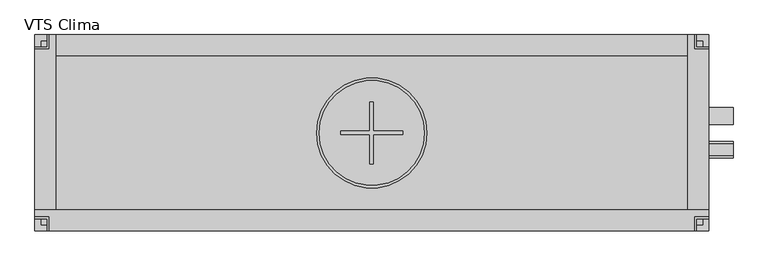
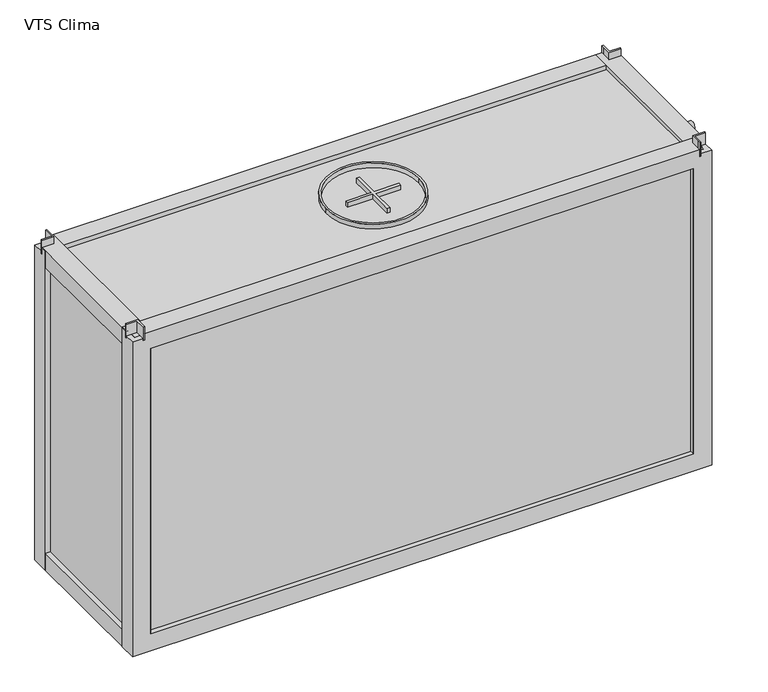
"""IFC4 building model written with IfcOpenShell, lengths in millimetres: proxy geometry, VTS Clima."""

from ifc_helpers import new_model, si_unit, point, frame, frame_2d, origin, origin_2d, place, context, project, spatial, polyline, circle_curve, trimmed, segment, composite_curve, outline, extrude, faceted_brep, source, transform, mapped, element, save


def vts_clima_4a70159d(model_context):
    return source(origin(), model_context, "Body", "SolidModel", [
        faceted_brep([(575.0, -149.9999993, 765.0), (575.0, -168.3098058, 765.0), (575.0, -174.9999993, 765.0), (578.0, -174.9999993, 765.0), (578.0, -152.9999993, 765.0), (600.0, -152.9999993, 765.0), (600.0, -149.9999993, 765.0), (575.0, -149.9999993, 735.0), (600.0, -149.9999993, 735.0), (600.0, -152.9999993, 735.0), (578.0, -152.9999993, 735.0), (578.0, -174.9999993, 735.0), (575.0, -174.9999993, 735.0), (575.0, -168.3098058, 735.0), (578.0, -174.9999993, 750.0), (578.0, -152.9999993, 750.0), (600.0, -152.9999993, 750.0)], [[[0, 1, 2, 3, 4, 5, 6]], [[7, 8, 9, 10, 11, 12, 13]], [[1, 0, 7, 13]], [[2, 1, 13, 12]], [[3, 2, 12, 11, 14]], [[4, 3, 14, 11, 10, 15]], [[5, 4, 15, 10, 9, 16]], [[6, 5, 16, 9, 8]], [[0, 6, 8, 7]]]),
        faceted_brep([(-575.0, -149.9999993, 765.0), (-600.0, -149.9999993, 765.0), (-600.0, -152.9999993, 765.0), (-578.0, -152.9999993, 765.0), (-578.0, -174.9999993, 765.0), (-575.0, -174.9999993, 765.0), (-575.0, -168.3098058, 765.0), (-575.0, -149.9999993, 735.0), (-575.0, -168.3098058, 735.0), (-575.0, -174.9999993, 735.0), (-578.0, -174.9999993, 735.0), (-578.0, -152.9999993, 735.0), (-600.0, -152.9999993, 735.0), (-600.0, -149.9999993, 735.0), (-578.0, -174.9999993, 750.0), (-578.0, -152.9999993, 750.0), (-600.0, -152.9999993, 750.0)], [[[0, 1, 2, 3, 4, 5, 6]], [[7, 8, 9, 10, 11, 12, 13]], [[6, 8, 7, 0]], [[5, 9, 8, 6]], [[4, 14, 10, 9, 5]], [[3, 15, 11, 10, 14, 4]], [[2, 16, 12, 11, 15, 3]], [[1, 13, 12, 16, 2]], [[0, 7, 13, 1]]]),
        faceted_brep([(575.0, 150.0, 765.0), (600.0, 150.0, 765.0), (600.0, 153.0, 765.0), (578.0, 153.0, 765.0), (578.0, 175.0, 765.0), (575.0, 175.0, 765.0), (575.0, 168.3098065, 765.0), (575.0, 150.0, 735.0), (575.0, 168.3098065, 735.0), (575.0, 175.0, 735.0), (578.0, 175.0, 735.0), (578.0, 153.0, 735.0), (600.0, 153.0, 735.0), (600.0, 150.0, 735.0), (578.0, 175.0, 750.0), (578.0, 153.0, 750.0), (600.0, 153.0, 750.0)], [[[0, 1, 2, 3, 4, 5, 6]], [[7, 8, 9, 10, 11, 12, 13]], [[6, 8, 7, 0]], [[5, 9, 8, 6]], [[4, 14, 10, 9, 5]], [[3, 15, 11, 10, 14, 4]], [[2, 16, 12, 11, 15, 3]], [[1, 13, 12, 16, 2]], [[0, 7, 13, 1]]]),
        faceted_brep([(-575.0, 150.0, 765.0), (-575.0, 168.3098065, 765.0), (-575.0, 175.0, 765.0), (-578.0, 175.0, 765.0), (-578.0, 153.0, 765.0), (-600.0, 153.0, 765.0), (-600.0, 150.0, 765.0), (-575.0, 150.0, 735.0), (-600.0, 150.0, 735.0), (-600.0, 153.0, 735.0), (-578.0, 153.0, 735.0), (-578.0, 175.0, 735.0), (-575.0, 175.0, 735.0), (-575.0, 168.3098065, 735.0), (-578.0, 175.0, 750.0), (-578.0, 153.0, 750.0), (-600.0, 153.0, 750.0)], [[[0, 1, 2, 3, 4, 5, 6]], [[7, 8, 9, 10, 11, 12, 13]], [[1, 0, 7, 13]], [[2, 1, 13, 12]], [[3, 2, 12, 11, 14]], [[4, 3, 14, 11, 10, 15]], [[5, 4, 15, 10, 9, 16]], [[6, 5, 16, 9, 8]], [[0, 6, 8, 7]]]),
        extrude(outline(composite_curve([segment(trimmed(circle_curve(origin_2d(), 98.2315055), [point((-98.2315055, 0.0))], [point((98.2315055, 0.0))], False, "CARTESIAN"), True, "CONTINUOUS"), segment(trimmed(circle_curve(origin_2d(), 98.2315055), [point((98.2315055, 0.0))], [point((-98.2315055, 0.0))], False, "CARTESIAN"), True, "CONTINUOUS")], self_intersect=False), holes=[composite_curve([segment(trimmed(circle_curve(origin_2d(), 93.6098859), [point((-93.6098859, 0.0))], [point((93.6098859, 0.0))], True, "CARTESIAN"), True, "CONTINUOUS"), segment(trimmed(circle_curve(origin_2d(), 93.6098859), [point((93.6098859, 0.0))], [point((-93.6098859, 0.0))], True, "CARTESIAN"), True, "CONTINUOUS")], self_intersect=False)]), frame((0.0, 0.0, 740.0), z_axis=(0.0, 0.0, 1.0), x_axis=(1.0, 0.0, 0.0)), (0.0, 0.0, 1.0), 10.0),
        extrude(outline(polyline([(-3.1882691, 3.1882691), (-3.1882691, 55.0), (2.9323757, 55.0), (2.9323757, 3.1882691), (55.0, 3.1882691), (55.0, -2.9323757), (2.9323757, -2.9323757), (2.9323757, -55.0), (-3.1882691, -55.0), (-3.1882691, -2.9323757), (-55.0, -2.9323757), (-55.0, 3.1882691), (-3.1882691, 3.1882691)])), frame((0.0, 0.0, 740.0), z_axis=(0.0, 0.0, 1.0), x_axis=(1.0, 0.0, 0.0)), (0.0, 0.0, 1.0), 10.0),
        extrude(outline(composite_curve([segment(trimmed(circle_curve(frame_2d((30.0, 560.0)), 15.0), [point((15.0, 560.0))], [point((45.0, 560.0))], False, "CARTESIAN"), True, "CONTINUOUS"), segment(trimmed(circle_curve(frame_2d((30.0, 560.0)), 15.0), [point((45.0, 560.0))], [point((15.0, 560.0))], False, "CARTESIAN"), True, "CONTINUOUS")], self_intersect=False)), frame((0.0, 0.0, 0.0), z_axis=(1.0, 0.0, 0.0), x_axis=(0.0, 1.0, 0.0)), (0.0, 0.0, 1.0), 643.5),
        extrude(outline(composite_curve([segment(trimmed(circle_curve(frame_2d((-30.0, 240.0)), 15.0), [point((-45.0, 240.0))], [point((-15.0, 240.0))], False, "CARTESIAN"), True, "CONTINUOUS"), segment(trimmed(circle_curve(frame_2d((-30.0, 240.0)), 15.0), [point((-15.0, 240.0))], [point((-45.0, 240.0))], False, "CARTESIAN"), True, "CONTINUOUS")], self_intersect=False)), frame((0.0, 0.0, 0.0), z_axis=(1.0, 0.0, 0.0), x_axis=(0.0, 1.0, 0.0)), (0.0, 0.0, 1.0), 643.5),
        extrude(outline(composite_curve([segment(trimmed(circle_curve(frame_2d((30.0, 110.0)), 10.0), [point((20.0, 110.0))], [point((40.0, 110.0))], False, "CARTESIAN"), True, "CONTINUOUS"), segment(trimmed(circle_curve(frame_2d((30.0, 110.0)), 10.0), [point((40.0, 110.0))], [point((20.0, 110.0))], False, "CARTESIAN"), True, "CONTINUOUS")], self_intersect=False)), frame((0.0, 0.0, 0.0), z_axis=(1.0, 0.0, 0.0), x_axis=(0.0, 1.0, 0.0)), (0.0, 0.0, 1.0), 643.5),
        extrude(outline(composite_curve([segment(trimmed(circle_curve(frame_2d((-30.0, 690.0)), 10.0), [point((-40.0, 690.0))], [point((-20.0, 690.0))], False, "CARTESIAN"), True, "CONTINUOUS"), segment(trimmed(circle_curve(frame_2d((-30.0, 690.0)), 10.0), [point((-20.0, 690.0))], [point((-40.0, 690.0))], False, "CARTESIAN"), True, "CONTINUOUS")], self_intersect=False)), frame((0.0, 0.0, 0.0), z_axis=(1.0, 0.0, 0.0), x_axis=(0.0, 1.0, 0.0)), (0.0, 0.0, 1.0), 643.5),
        faceted_brep([(-600.0, -137.4999993, 750.0), (-600.0, -137.4999993, 50.0), (-600.0, -174.9999993, 50.0), (-600.0, -174.9999993, 740.0), (-600.0, -152.9999993, 740.0), (-600.0, -152.9999993, 750.0), (-562.5, -164.9999993, 712.5), (-562.5, -174.9999993, 712.5), (-562.5, -174.9999993, 87.5), (-562.5, -164.9999993, 87.5), (-589.999999, -164.9999993, 739.999999), (-589.999999, -164.9999993, 60.000001), (-589.999999, -137.4999993, 60.000001), (-589.999999, -137.4999993, 739.999999), (-589.999999, -152.9999993, 739.999999), (600.0, -137.4999993, 50.0), (600.0, -174.9999993, 50.0), (562.5, -174.9999993, 87.5), (562.5, -164.9999993, 87.5), (589.999999, -164.9999993, 60.000001), (589.999999, -137.4999993, 60.000001), (600.0, -137.4999993, 750.0), (600.0, -152.9999993, 750.0), (600.0, -152.9999993, 740.0), (600.0, -174.9999993, 740.0), (562.5, -174.9999993, 712.5), (562.5, -164.9999993, 712.5), (589.999999, -164.9999993, 739.999999), (589.999999, -152.9999993, 740.0), (589.999999, -137.4999993, 739.999999), (-578.0, -152.9999993, 750.0), (-578.0, -174.9999993, 750.0), (578.0, -174.9999993, 750.0), (578.0, -152.9999993, 750.0), (578.0, -174.9999993, 740.0), (-578.0, -174.9999993, 740.0), (-578.0, -164.9999993, 740.0), (578.0, -164.9999993, 739.999999), (578.0, -152.9999993, 739.999999), (-578.0, -152.9999993, 739.999999)], [[[0, 1, 2, 3, 4, 5]], [[6, 7, 8, 9]], [[10, 11, 12, 13, 14]], [[2, 1, 15, 16]], [[9, 8, 17, 18]], [[12, 11, 19, 20]], [[16, 15, 21, 22, 23, 24]], [[18, 17, 25, 26]], [[20, 19, 27, 28, 29]], [[21, 0, 5, 30, 31, 32, 33, 22]], [[2, 16, 24, 34, 32, 31, 35, 3], [8, 7, 25, 17]], [[7, 6, 26, 25]], [[11, 10, 36, 37, 27, 19], [6, 9, 18, 26]], [[13, 29, 28, 38, 37, 36, 39, 14]], [[1, 0, 21, 15], [13, 12, 20, 29]], [[34, 37, 38, 33, 32]], [[33, 38, 28, 23, 22]], [[37, 34, 24, 23, 28, 27]], [[30, 39, 36, 35, 31]], [[39, 30, 5, 4, 14]], [[35, 36, 10, 14, 4, 3]]]),
        faceted_brep([(562.4999993, -175.0, 750.0), (562.4999993, -175.0, 50.0), (599.9999993, -175.0, 50.0), (599.9999993, -175.0, 740.0), (578.0, -175.0, 740.0), (578.0, -175.0, 750.0), (589.9999993, -137.5, 712.5), (599.9999993, -137.5, 712.5), (599.9999993, -137.5, 87.5), (589.9999993, -137.5, 87.5), (589.9999993, -164.999999, 739.999999), (589.9999993, -164.999999, 60.000001), (562.4999993, -164.999999, 60.000001), (562.4999993, -164.999999, 739.999999), (578.0, -164.999999, 739.999999), (562.4999993, 175.0, 50.0), (599.9999993, 175.0, 50.0), (599.9999993, 137.5, 87.5), (589.9999993, 137.5, 87.5), (589.9999993, 164.999999, 60.000001), (562.4999993, 164.999999, 60.000001), (562.4999993, 175.0, 750.0), (578.0, 175.0, 750.0), (578.0, 175.0, 740.0), (599.9999993, 175.0, 740.0), (599.9999993, 137.5, 712.5), (589.9999993, 137.5, 712.5), (589.9999993, 164.999999, 739.999999), (578.0, 164.999999, 740.0), (562.4999993, 164.999999, 739.999999), (578.0, -152.9999993, 750.0), (599.9999993, -152.9999993, 750.0), (599.9999993, 153.0000007, 750.0), (578.0, 153.0000007, 750.0), (599.9999993, 153.0000007, 740.0), (599.9999993, -152.9999993, 740.0), (589.9999993, -152.9999993, 740.0), (589.9999993, 153.0000007, 739.999999), (578.0, 153.0000007, 739.999999), (578.0, -152.9999993, 739.999999)], [[[0, 1, 2, 3, 4, 5]], [[6, 7, 8, 9]], [[10, 11, 12, 13, 14]], [[2, 1, 15, 16]], [[9, 8, 17, 18]], [[12, 11, 19, 20]], [[16, 15, 21, 22, 23, 24]], [[18, 17, 25, 26]], [[20, 19, 27, 28, 29]], [[21, 0, 5, 30, 31, 32, 33, 22]], [[2, 16, 24, 34, 32, 31, 35, 3], [8, 7, 25, 17]], [[7, 6, 26, 25]], [[11, 10, 36, 37, 27, 19], [6, 9, 18, 26]], [[13, 29, 28, 38, 37, 36, 39, 14]], [[1, 0, 21, 15], [13, 12, 20, 29]], [[33, 38, 28, 23, 22]], [[38, 33, 32, 34, 37]], [[23, 28, 27, 37, 34, 24]], [[4, 14, 39, 30, 5]], [[30, 39, 36, 35, 31]], [[14, 4, 3, 35, 36, 10]]]),
        faceted_brep([(-562.4999993, 175.0, 750.0), (-562.4999993, 175.0, 50.0), (-599.9999993, 175.0, 50.0), (-599.9999993, 175.0, 740.0), (-578.0, 175.0, 740.0), (-578.0, 175.0, 750.0), (-589.9999993, 137.5, 712.5), (-599.9999993, 137.5, 712.5), (-599.9999993, 137.5, 87.5), (-589.9999993, 137.5, 87.5), (-589.9999993, 164.999999, 739.999999), (-589.9999993, 164.999999, 60.000001), (-562.4999993, 164.999999, 60.000001), (-562.4999993, 164.999999, 739.999999), (-578.0, 164.999999, 739.999999), (-562.4999993, -175.0, 50.0), (-599.9999993, -175.0, 50.0), (-599.9999993, -137.5, 87.5), (-589.9999993, -137.5, 87.5), (-589.9999993, -164.999999, 60.000001), (-562.4999993, -164.999999, 60.000001), (-562.4999993, -175.0, 750.0), (-578.0, -175.0, 750.0), (-578.0, -175.0, 740.0), (-599.9999993, -175.0, 740.0), (-599.9999993, -137.5, 712.5), (-589.9999993, -137.5, 712.5), (-589.9999993, -164.999999, 739.999999), (-578.0, -164.999999, 740.0), (-562.4999993, -164.999999, 739.999999), (-578.0, 153.0000007, 750.0), (-599.9999993, 153.0000007, 750.0), (-599.9999993, -152.9999993, 750.0), (-578.0, -152.9999993, 750.0), (-599.9999993, -152.9999993, 740.0), (-599.9999993, 153.0000007, 740.0), (-589.9999993, 153.0000007, 740.0), (-589.9999993, -152.9999993, 739.999999), (-578.0, -152.9999993, 739.999999), (-578.0, 153.0000007, 739.999999)], [[[0, 1, 2, 3, 4, 5]], [[6, 7, 8, 9]], [[10, 11, 12, 13, 14]], [[2, 1, 15, 16]], [[9, 8, 17, 18]], [[12, 11, 19, 20]], [[16, 15, 21, 22, 23, 24]], [[18, 17, 25, 26]], [[20, 19, 27, 28, 29]], [[21, 0, 5, 30, 31, 32, 33, 22]], [[2, 16, 24, 34, 32, 31, 35, 3], [8, 7, 25, 17]], [[7, 6, 26, 25]], [[11, 10, 36, 37, 27, 19], [6, 9, 18, 26]], [[13, 29, 28, 38, 37, 36, 39, 14]], [[1, 0, 21, 15], [13, 12, 20, 29]], [[4, 14, 39, 30, 5]], [[30, 39, 36, 35, 31]], [[14, 4, 3, 35, 36, 10]], [[33, 38, 28, 23, 22]], [[38, 33, 32, 34, 37]], [[23, 28, 27, 37, 34, 24]]]),
        faceted_brep([(600.0, 137.4999993, 750.0), (600.0, 137.4999993, 50.0), (600.0, 174.9999993, 50.0), (600.0, 174.9999993, 740.0), (600.0, 153.0000007, 740.0), (600.0, 153.0000007, 750.0), (562.5, 164.9999993, 712.5), (562.5, 174.9999993, 712.5), (562.5, 174.9999993, 87.5), (562.5, 164.9999993, 87.5), (589.999999, 164.9999993, 739.999999), (589.999999, 164.9999993, 60.000001), (589.999999, 137.4999993, 60.000001), (589.999999, 137.4999993, 739.999999), (589.999999, 153.0000007, 739.999999), (-600.0, 137.4999993, 50.0), (-600.0, 174.9999993, 50.0), (-562.5, 174.9999993, 87.5), (-562.5, 164.9999993, 87.5), (-589.999999, 164.9999993, 60.000001), (-589.999999, 137.4999993, 60.000001), (-600.0, 137.4999993, 750.0), (-600.0, 153.0000007, 750.0), (-600.0, 153.0000007, 740.0), (-600.0, 174.9999993, 740.0), (-562.5, 174.9999993, 712.5), (-562.5, 164.9999993, 712.5), (-589.999999, 164.9999993, 739.999999), (-589.999999, 153.0000007, 740.0), (-589.999999, 137.4999993, 739.999999), (578.0, 153.0000007, 750.0), (578.0, 174.9999993, 750.0), (-578.0, 174.9999993, 750.0), (-578.0, 153.0000007, 750.0), (-578.0, 174.9999993, 740.0), (578.0, 174.9999993, 740.0), (578.0, 164.9999993, 740.0), (-578.0, 164.9999993, 739.999999), (-578.0, 153.0000007, 739.999999), (578.0, 153.0000007, 739.999999)], [[[0, 1, 2, 3, 4, 5]], [[6, 7, 8, 9]], [[10, 11, 12, 13, 14]], [[2, 1, 15, 16]], [[9, 8, 17, 18]], [[12, 11, 19, 20]], [[16, 15, 21, 22, 23, 24]], [[18, 17, 25, 26]], [[20, 19, 27, 28, 29]], [[21, 0, 5, 30, 31, 32, 33, 22]], [[2, 16, 24, 34, 32, 31, 35, 3], [8, 7, 25, 17]], [[7, 6, 26, 25]], [[11, 10, 36, 37, 27, 19], [6, 9, 18, 26]], [[13, 29, 28, 38, 37, 36, 39, 14]], [[1, 0, 21, 15], [13, 12, 20, 29]], [[34, 37, 38, 33, 32]], [[33, 38, 28, 23, 22]], [[37, 34, 24, 23, 28, 27]], [[30, 39, 36, 35, 31]], [[39, 30, 5, 4, 14]], [[35, 36, 10, 14, 4, 3]]]),
        extrude(outline(polyline([(590.0, 165.0), (590.0, -165.0), (-590.0, -165.0), (-590.0, 165.0), (590.0, 165.0)])), frame((0.0, 0.0, 60.0), z_axis=(0.0, 0.0, 1.0), x_axis=(1.0, 0.0, 0.0)), (0.0, 0.0, 1.0), 680.0),
    ])


if __name__ == "__main__":
    model = new_model("IFC4")
    model_context = context("Model", 3, world=origin())
    ifc_project = project(units=[si_unit("LENGTHUNIT", "METRE", prefix="MILLI")], contexts=[model_context])
    site = spatial("IfcSite", under=ifc_project)
    building = spatial("IfcBuilding", under=site)
    placement = place(None, origin())
    vts_clima_shape = vts_clima_4a70159d(model_context)
    element("IfcBuildingElementProxy", 1, Name="VTS Clima", ObjectType="VTS Clima", at=placement, inside=building, context=model_context, shape_type="MappedRepresentation", body=[
        mapped(vts_clima_shape, transform((0.0, 0.0, 0.0), x_axis=(1.0, 0.0, 0.0), y_axis=(0.0, 1.0, 0.0), z_axis=(0.0, 0.0, 1.0))),
    ])
    save(model, "model.ifc")
